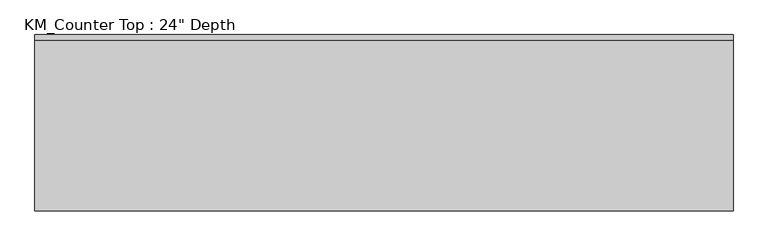
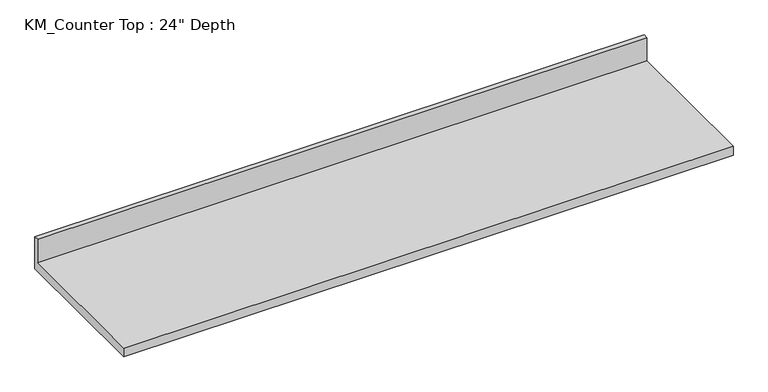
"""IFC4 building model written with IfcOpenShell, lengths in millimetres: furniture geometry."""

from ifc_helpers import new_model, si_unit, frame, origin, place, context, project, spatial, polyline, outline, extrude, source, transform, mapped, element, save


def furniture_8877b5cc(model_context):
    return source(origin(), model_context, "Body", "SweptSolid", [
        extrude(outline(polyline([(0.0, 965.2), (0.0, 825.5), (-635.0, 825.5), (-635.0, 863.6), (-19.05, 863.6), (-19.05, 965.2), (0.0, 965.2)])), frame((-1200.4622951, 0.0, 0.0), z_axis=(1.0, 0.0, 0.0), x_axis=(0.0, 1.0, 0.0)), (0.0, 0.0, 1.0), 2514.6),
    ])


if __name__ == "__main__":
    model = new_model("IFC4")
    model_context = context("Model", 3, world=origin())
    ifc_project = project(units=[si_unit("LENGTHUNIT", "METRE", prefix="MILLI")], contexts=[model_context])
    site = spatial("IfcSite", under=ifc_project)
    building = spatial("IfcBuilding", under=site)
    placement = place(None, origin())
    furniture_shape = furniture_8877b5cc(model_context)
    element("IfcFurniture", 1, ObjectType="KM_Counter Top : 24\" Depth", at=placement, inside=building, context=model_context, shape_type="MappedRepresentation", body=[
        mapped(furniture_shape, transform((0.0, 0.0, 0.0), x_axis=(1.0, 0.0, 0.0), y_axis=(0.0, 1.0, 0.0), z_axis=(0.0, 0.0, 1.0))),
    ])
    save(model, "model.ifc")
